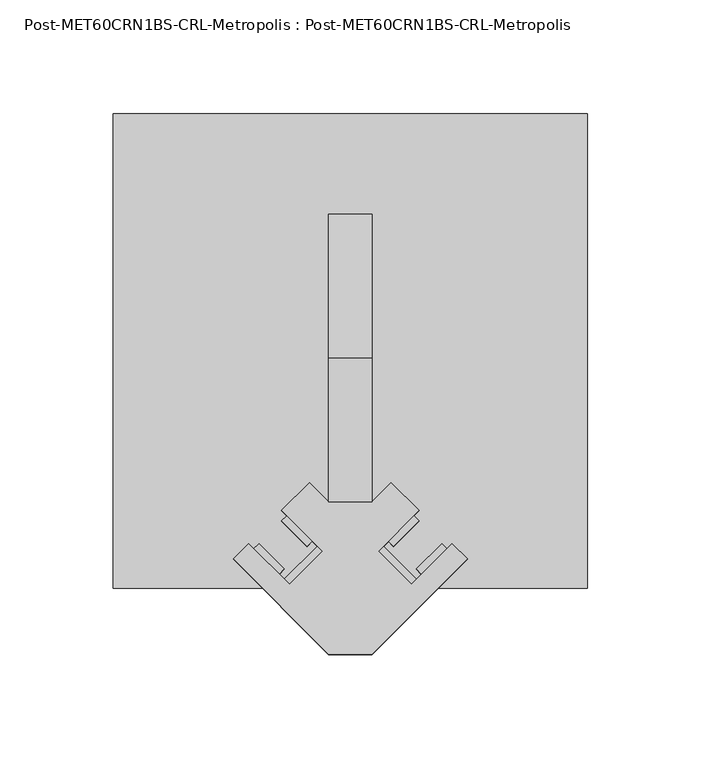
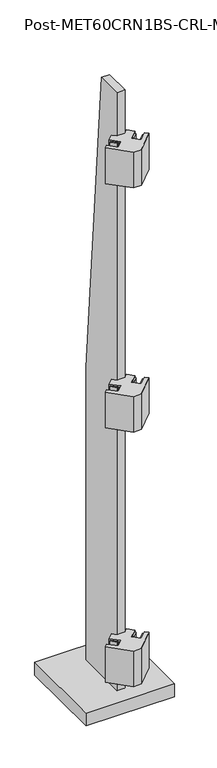
"""IFC4 building model written with IfcOpenShell, lengths in millimetres: proxy geometry, Post-MET60CRN1BS-CRL-Metropolis : Post-MET60CRN1BS-CRL-Metropolis."""

import ifcopenshell
import ifcopenshell.guid

model = None  # the IFC model being written
_history = None  # IfcOwnerHistory: only IFC2X3 demands one
_inside = {}  # id of a spatial element -> (the spatial element, [elements in it])
_under = {}  # id of a project, library or spatial element -> (it, [spatial elements below it])
_declared = {}  # id of a project -> (the project, [libraries it declares])
_typed = {}  # id of a type object -> (the type object, [elements of that type])
_made_of = {}  # id of a material, layer set ... -> (it, [elements and type objects made of it])


def new_model(schema):
    """Start an empty IFC model of exactly this schema.

    Asked for "IFC4X3", IfcOpenShell would pick the latest addendum, in which some entities
    have other attributes; the version numbers below select the first issue.
    IFC2X3 requires an IfcOwnerHistory on every rooted entity: one is made here for all.
    """
    global model, _history
    if schema == "IFC4X3":
        model = ifcopenshell.file(schema_version=(4, 3, 0, 0))
    else:
        model = ifcopenshell.file(schema=schema)
    _inside.clear()
    _under.clear()
    _declared.clear()
    _typed.clear()
    _made_of.clear()
    _history = None
    if model.schema == "IFC2X3":
        org = make("IfcOrganization", Name="unknown")
        user = make(
            "IfcPersonAndOrganization",
            ThePerson=make("IfcPerson", FamilyName="unknown"),
            TheOrganization=org,
        )
        app = make(
            "IfcApplication",
            ApplicationDeveloper=org,
            Version="unknown",
            ApplicationFullName="unknown",
            ApplicationIdentifier="unknown",
        )
        _history = make(
            "IfcOwnerHistory",
            OwningUser=user,
            OwningApplication=app,
            ChangeAction="ADDED",
            CreationDate=0,
        )
    return model


def make(cls, **values):
    """One entity of the class cls with the attributes given. An attribute that is None is left unset."""
    return model.create_entity(
        cls, **{name: value for name, value in values.items() if value is not None}
    )


def rooted(cls, **values):
    """An entity with a GlobalId (a new one), such as an element, a storey or a relation."""
    return make(cls, GlobalId=ifcopenshell.guid.new(), OwnerHistory=_history, **values)


def si_unit(unit_type, name, prefix=None):
    """IfcSIUnit, for example si_unit("LENGTHUNIT", "METRE", prefix="MILLI")."""
    return make("IfcSIUnit", UnitType=unit_type, Prefix=prefix, Name=name)


def assignment(units):
    """IfcUnitAssignment: the units of a project."""
    return None if units is None else make("IfcUnitAssignment", Units=units)


def point(xyz):
    """IfcCartesianPoint."""
    return None if xyz is None else make("IfcCartesianPoint", Coordinates=xyz)


def direction(xyz):
    """IfcDirection."""
    return None if xyz is None else make("IfcDirection", DirectionRatios=xyz)


def frame(location, z_axis=None, x_axis=None):
    """IfcAxis2Placement3D, a coordinate frame: its origin and axes. An axis left out is left unset."""
    return make(
        "IfcAxis2Placement3D",
        Location=point(location),
        Axis=direction(z_axis),
        RefDirection=direction(x_axis),
    )


def origin():
    """The frame at (0, 0, 0) with its axes left unset."""
    return frame((0.0, 0.0, 0.0))


def origin_with_axes():
    """The frame at (0, 0, 0) with the z axis (0, 0, 1) and the x axis (1, 0, 0) written out."""
    return frame((0.0, 0.0, 0.0), z_axis=(0.0, 0.0, 1.0), x_axis=(1.0, 0.0, 0.0))


def place(relative_to, where):
    """IfcLocalPlacement: puts the frame where relative to a parent placement (None: the world)."""
    return make(
        "IfcLocalPlacement", PlacementRelTo=relative_to, RelativePlacement=where
    )


def context(
    kind, dimensions, precision=None, world=None, true_north=None, identifier=None
):
    """IfcGeometricRepresentationContext, for example the 3D "Model" context."""
    return make(
        "IfcGeometricRepresentationContext",
        ContextIdentifier=identifier,
        ContextType=kind,
        CoordinateSpaceDimension=dimensions,
        Precision=precision,
        WorldCoordinateSystem=world,
        TrueNorth=true_north,
    )


def project(units=None, contexts=None):
    """IfcProject with its units and contexts."""
    return rooted(
        "IfcProject",
        Name="project",
        RepresentationContexts=contexts,
        UnitsInContext=assignment(units),
    )


def spatial(cls, under=None, at=None, **own):
    """A site, building, storey or space (cls), placed at a placement, below another one or the project."""
    s = rooted(cls, ObjectPlacement=at, **own)
    if under is not None:
        _under.setdefault(under.id(), (under, []))[1].append(s)
    return s


def polyline(points):
    """IfcPolyline through the points."""
    return make("IfcPolyline", Points=[point(p) for p in points])


def outline(outer, holes=None, kind="AREA"):
    """IfcArbitraryClosedProfileDef: a profile drawn as a closed curve; with holes, ...WithVoids."""
    if holes is None:
        return make("IfcArbitraryClosedProfileDef", ProfileType=kind, OuterCurve=outer)
    return make(
        "IfcArbitraryProfileDefWithVoids",
        ProfileType=kind,
        OuterCurve=outer,
        InnerCurves=holes,
    )


def extrude(swept, where, along, depth):
    """IfcExtrudedAreaSolid: the profile swept, set in the frame where, extruded along a direction by depth."""
    return make(
        "IfcExtrudedAreaSolid",
        SweptArea=swept,
        Position=where,
        ExtrudedDirection=direction(along),
        Depth=depth,
    )


def shape(context_of_items, identifier, shape_type, items):
    """IfcShapeRepresentation: the items that make up one representation, for example the "Body"."""
    return make(
        "IfcShapeRepresentation",
        ContextOfItems=context_of_items,
        RepresentationIdentifier=identifier,
        RepresentationType=shape_type,
        Items=items,
    )


def source(mapping_origin, context_of_items, identifier, shape_type, items):
    """IfcRepresentationMap: a shape defined once, which mapped items show again and again."""
    return make(
        "IfcRepresentationMap",
        MappingOrigin=mapping_origin,
        MappedRepresentation=shape(context_of_items, identifier, shape_type, items),
    )


def transform(
    local_origin,
    x_axis=None,
    y_axis=None,
    z_axis=None,
    scale=None,
    scale2=None,
    scale3=None,
    uniform=True,
):
    """IfcCartesianTransformationOperator3D, or its non-uniform kind. x_axis, y_axis, z_axis: its Axis1, 2, 3."""
    if uniform:
        return make(
            "IfcCartesianTransformationOperator3D",
            Axis1=direction(x_axis),
            Axis2=direction(y_axis),
            LocalOrigin=point(local_origin),
            Scale=scale,
            Axis3=direction(z_axis),
        )
    return make(
        "IfcCartesianTransformationOperator3DnonUniform",
        Axis1=direction(x_axis),
        Axis2=direction(y_axis),
        LocalOrigin=point(local_origin),
        Scale=scale,
        Axis3=direction(z_axis),
        Scale2=scale2,
        Scale3=scale3,
    )


def mapped(mapping_source, mapping_target):
    """IfcMappedItem: shows the shape of a source again, moved by a transform."""
    return make(
        "IfcMappedItem", MappingSource=mapping_source, MappingTarget=mapping_target
    )


def made_of(thing, what):
    """Note that an element or type object is made of a material, layer set ...; save() writes the relation."""
    if what is not None:
        _made_of.setdefault(what.id(), (what, []))[1].append(thing)
    return thing


def element(
    cls,
    number,
    at=None,
    inside=None,
    cuts=None,
    type_object=None,
    material=None,
    context=None,
    identifier="Body",
    shape_type=None,
    held_by="IfcProductDefinitionShape",
    body=None,
    shapes=None,
    **own,
):
    """One element of the class cls, such as IfcWall. Its Tag is "e" and its number.

    at: its placement. inside: the storey or other place that contains it. cuts: it is an
    opening in that element (IfcRelVoidsElement). A single representation is given by context,
    identifier, shape_type and body (its items); several are given by shapes. held_by: the class
    of the entity that holds the representations. save() writes the other relations.
    """
    e = rooted(cls, Tag="e%d" % number, ObjectPlacement=at, **own)
    if body is not None:
        shapes = [shape(context, identifier, shape_type, body)]
    if shapes is not None:
        e.Representation = make(held_by, Representations=shapes)
    if inside is not None:
        _inside.setdefault(inside.id(), (inside, []))[1].append(e)
    if cuts is not None:
        rooted(
            "IfcRelVoidsElement", RelatingBuildingElement=cuts, RelatedOpeningElement=e
        )
    if type_object is not None:
        _typed.setdefault(type_object.id(), (type_object, []))[1].append(e)
    return made_of(e, material)


def aggregate(whole, parts):
    """IfcRelAggregates: a whole, such as a stair, and the parts it consists of."""
    return rooted("IfcRelAggregates", RelatingObject=whole, RelatedObjects=parts)


def save(model, path):
    """Write the relations noted so far, then the file.

    IfcRelAggregates (storeys below a building ...), IfcRelContainedInSpatialStructure (elements
    in a storey), IfcRelDefinesByType, IfcRelAssociatesMaterial and IfcRelDeclares: one each for
    every whole, place, type object, material and project.
    """
    for whole, parts in _under.values():
        aggregate(whole, parts)
    for where, things in _inside.values():
        rooted(
            "IfcRelContainedInSpatialStructure",
            RelatedElements=things,
            RelatingStructure=where,
        )
    for kind, things in _typed.values():
        rooted("IfcRelDefinesByType", RelatedObjects=things, RelatingType=kind)
    for what, things in _made_of.values():
        rooted("IfcRelAssociatesMaterial", RelatedObjects=things, RelatingMaterial=what)
    for by, libraries in _declared.values():
        rooted("IfcRelDeclares", RelatingContext=by, RelatedDefinitions=libraries)
    model.write(path)


def post_met60crn1bs_crl_metropolis_post_met60crn1bs_crl_c7a602e6(model_context):
    return source(origin(), model_context, "Body", "SweptSolid", [
        extrude(outline(polyline([(12.3478522, -98.0728522), (14.5929162, -95.8277881), (29.1858324, -110.4207043), (26.9407684, -112.6657684), (12.3478522, -98.0728522)])), frame((0.0, 0.0, 1330.325), z_axis=(0.0, 0.0, 1.0), x_axis=(1.0, 0.0, 0.0)), (0.0, 0.0, 1.0), 82.55),
        extrude(outline(polyline([(19.0830443, -95.8277881), (16.8379802, -93.5827241), (28.0633004, -82.357404), (30.3083644, -84.602468), (19.0830443, -95.8277881)])), frame((0.0, 0.0, 1330.325), z_axis=(0.0, 0.0, 1.0), x_axis=(1.0, 0.0, 0.0)), (0.0, 0.0, 1.0), 82.55),
        extrude(outline(polyline([(31.4308964, -108.1756403), (29.1858324, -105.9305763), (40.4111525, -94.7052561), (42.6562166, -96.9503202), (31.4308964, -108.1756403)])), frame((0.0, 0.0, 1330.325), z_axis=(0.0, 0.0, 1.0), x_axis=(1.0, 0.0, 0.0)), (0.0, 0.0, 1.0), 82.55),
        extrude(outline(polyline([(-26.9407684, -112.6657684), (-29.1858324, -110.4207043), (-14.5929162, -95.8277881), (-12.3478522, -98.0728522), (-26.9407684, -112.6657684)])), frame((0.0, 0.0, 1330.325), z_axis=(0.0, 0.0, 1.0), x_axis=(1.0, 0.0, 0.0)), (0.0, 0.0, 1.0), 82.55),
        extrude(outline(polyline([(-42.6562166, -96.9503202), (-40.4111525, -94.7052561), (-29.1858324, -105.9305763), (-31.4308964, -108.1756403), (-42.6562166, -96.9503202)])), frame((0.0, 0.0, 1330.325), z_axis=(0.0, 0.0, 1.0), x_axis=(1.0, 0.0, 0.0)), (0.0, 0.0, 1.0), 82.55),
        extrude(outline(polyline([(-19.0830443, -95.8277881), (-30.3083644, -84.602468), (-28.0633004, -82.357404), (-16.8379802, -93.5827241), (-19.0830443, -95.8277881)])), frame((0.0, 0.0, 1330.325), z_axis=(0.0, 0.0, 1.0), x_axis=(1.0, 0.0, 0.0)), (0.0, 0.0, 1.0), 82.55),
        extrude(outline(polyline([(-51.6364727, -101.4404482), (-44.9012806, -94.7052561), (-26.9407684, -112.6657684), (-12.3478522, -98.0728522), (-30.3083644, -80.1123399), (-17.9605122, -67.7644878), (-9.525, -76.2), (9.525, -76.2), (17.9605122, -67.7644878), (30.3083644, -80.1123399), (12.3478522, -98.0728522), (26.9407684, -112.6657684), (44.9012806, -94.7052561), (51.6364727, -101.4404482), (9.525, -143.5519209), (-9.525, -143.5519209), (-51.6364727, -101.4404482)])), frame((0.0, 0.0, 1327.15), z_axis=(0.0, 0.0, 1.0), x_axis=(1.0, 0.0, 0.0)), (0.0, 0.0, 1.0), 88.9),
        extrude(outline(polyline([(12.3478522, -98.0728522), (14.5929162, -95.8277881), (29.1858324, -110.4207043), (26.9407684, -112.6657684), (12.3478522, -98.0728522)])), frame((0.0, 0.0, 720.725), z_axis=(0.0, 0.0, 1.0), x_axis=(1.0, 0.0, 0.0)), (0.0, 0.0, 1.0), 82.55),
        extrude(outline(polyline([(19.0830443, -95.8277881), (16.8379802, -93.5827241), (28.0633004, -82.357404), (30.3083644, -84.602468), (19.0830443, -95.8277881)])), frame((0.0, 0.0, 720.725), z_axis=(0.0, 0.0, 1.0), x_axis=(1.0, 0.0, 0.0)), (0.0, 0.0, 1.0), 82.55),
        extrude(outline(polyline([(31.4308964, -108.1756403), (29.1858324, -105.9305763), (40.4111525, -94.7052561), (42.6562166, -96.9503202), (31.4308964, -108.1756403)])), frame((0.0, 0.0, 720.725), z_axis=(0.0, 0.0, 1.0), x_axis=(1.0, 0.0, 0.0)), (0.0, 0.0, 1.0), 82.55),
        extrude(outline(polyline([(-26.9407684, -112.6657684), (-29.1858324, -110.4207043), (-14.5929162, -95.8277881), (-12.3478522, -98.0728522), (-26.9407684, -112.6657684)])), frame((0.0, 0.0, 720.725), z_axis=(0.0, 0.0, 1.0), x_axis=(1.0, 0.0, 0.0)), (0.0, 0.0, 1.0), 82.55),
        extrude(outline(polyline([(-42.6562166, -96.9503202), (-40.4111525, -94.7052561), (-29.1858324, -105.9305763), (-31.4308964, -108.1756403), (-42.6562166, -96.9503202)])), frame((0.0, 0.0, 720.725), z_axis=(0.0, 0.0, 1.0), x_axis=(1.0, 0.0, 0.0)), (0.0, 0.0, 1.0), 82.55),
        extrude(outline(polyline([(-19.0830443, -95.8277881), (-30.3083644, -84.602468), (-28.0633004, -82.357404), (-16.8379802, -93.5827241), (-19.0830443, -95.8277881)])), frame((0.0, 0.0, 720.725), z_axis=(0.0, 0.0, 1.0), x_axis=(1.0, 0.0, 0.0)), (0.0, 0.0, 1.0), 82.55),
        extrude(outline(polyline([(-51.6364727, -101.4404482), (-44.9012806, -94.7052561), (-26.9407684, -112.6657684), (-12.3478522, -98.0728522), (-30.3083644, -80.1123399), (-17.9605122, -67.7644878), (-9.525, -76.2), (9.525, -76.2), (17.9605122, -67.7644878), (30.3083644, -80.1123399), (12.3478522, -98.0728522), (26.9407684, -112.6657684), (44.9012806, -94.7052561), (51.6364727, -101.4404482), (9.525, -143.5519209), (-9.525, -143.5519209), (-51.6364727, -101.4404482)])), frame((0.0, 0.0, 717.55), z_axis=(0.0, 0.0, 1.0), x_axis=(1.0, 0.0, 0.0)), (0.0, 0.0, 1.0), 88.9),
        extrude(outline(polyline([(12.3478522, -98.0728522), (14.5929162, -95.8277881), (29.1858324, -110.4207043), (26.9407684, -112.6657684), (12.3478522, -98.0728522)])), frame((0.0, 0.0, 85.725), z_axis=(0.0, 0.0, 1.0), x_axis=(1.0, 0.0, 0.0)), (0.0, 0.0, 1.0), 82.55),
        extrude(outline(polyline([(19.0830443, -95.8277881), (16.8379802, -93.5827241), (28.0633004, -82.357404), (30.3083644, -84.602468), (19.0830443, -95.8277881)])), frame((0.0, 0.0, 85.725), z_axis=(0.0, 0.0, 1.0), x_axis=(1.0, 0.0, 0.0)), (0.0, 0.0, 1.0), 82.55),
        extrude(outline(polyline([(31.4308964, -108.1756403), (29.1858324, -105.9305763), (40.4111525, -94.7052561), (42.6562166, -96.9503202), (31.4308964, -108.1756403)])), frame((0.0, 0.0, 85.725), z_axis=(0.0, 0.0, 1.0), x_axis=(1.0, 0.0, 0.0)), (0.0, 0.0, 1.0), 82.55),
        extrude(outline(polyline([(-26.9407684, -112.6657684), (-29.1858324, -110.4207043), (-14.5929162, -95.8277881), (-12.3478522, -98.0728522), (-26.9407684, -112.6657684)])), frame((0.0, 0.0, 85.725), z_axis=(0.0, 0.0, 1.0), x_axis=(1.0, 0.0, 0.0)), (0.0, 0.0, 1.0), 82.55),
        extrude(outline(polyline([(-42.6562166, -96.9503202), (-40.4111525, -94.7052561), (-29.1858324, -105.9305763), (-31.4308964, -108.1756403), (-42.6562166, -96.9503202)])), frame((0.0, 0.0, 85.725), z_axis=(0.0, 0.0, 1.0), x_axis=(1.0, 0.0, 0.0)), (0.0, 0.0, 1.0), 82.55),
        extrude(outline(polyline([(-19.0830443, -95.8277881), (-30.3083644, -84.602468), (-28.0633004, -82.357404), (-16.8379802, -93.5827241), (-19.0830443, -95.8277881)])), frame((0.0, 0.0, 85.725), z_axis=(0.0, 0.0, 1.0), x_axis=(1.0, 0.0, 0.0)), (0.0, 0.0, 1.0), 82.55),
        extrude(outline(polyline([(-51.6364727, -101.4404482), (-44.9012806, -94.7052561), (-26.9407684, -112.6657684), (-12.3478522, -98.0728522), (-30.3083644, -80.1123399), (-17.9605122, -67.7644878), (-9.525, -76.2), (9.525, -76.2), (17.9605122, -67.7644878), (30.3083644, -80.1123399), (12.3478522, -98.0728522), (26.9407684, -112.6657684), (44.9012806, -94.7052561), (51.6364727, -101.4404482), (9.525, -143.5519209), (-9.525, -143.5519209), (-51.6364727, -101.4404482)])), frame((0.0, 0.0, 82.55), z_axis=(0.0, 0.0, 1.0), x_axis=(1.0, 0.0, 0.0)), (0.0, 0.0, 1.0), 88.9),
        extrude(outline(polyline([(50.8, 762.0), (50.8, 0.0), (-76.2, 0.0), (-76.2, 1524.0), (-12.7, 1524.0), (50.8, 762.0)])), frame((-9.525, 0.0, 0.0), z_axis=(1.0, 0.0, 0.0), x_axis=(0.0, 1.0, 0.0)), (0.0, 0.0, 1.0), 19.05),
        extrude(outline(polyline([(104.775, 95.25), (104.775, -114.3), (-104.775, -114.3), (-104.775, 95.25), (104.775, 95.25)])), origin_with_axes(), (0.0, 0.0, 1.0), 31.75),
    ])


if __name__ == "__main__":
    model = new_model("IFC4")
    model_context = context("Model", 3, world=origin())
    ifc_project = project(units=[si_unit("LENGTHUNIT", "METRE", prefix="MILLI")], contexts=[model_context])
    site = spatial("IfcSite", under=ifc_project)
    building = spatial("IfcBuilding", under=site)
    placement = place(None, origin())
    post_met60crn1bs_crl_metropolis_post_met60crn1bs_crl_shape = post_met60crn1bs_crl_metropolis_post_met60crn1bs_crl_c7a602e6(model_context)
    element("IfcBuildingElementProxy", 1, Name="Post-MET60CRN1BS-CRL-Metropolis : Post-MET60CRN1BS-CRL-Metropolis", ObjectType="Post-MET60CRN1BS-CRL-Metropolis : Post-MET60CRN1BS-CRL-Metropolis", at=placement, inside=building, context=model_context, shape_type="MappedRepresentation", body=[
        mapped(post_met60crn1bs_crl_metropolis_post_met60crn1bs_crl_shape, transform((0.0, 0.0, 0.0), x_axis=(1.0, 0.0, 0.0), y_axis=(0.0, 1.0, 0.0), z_axis=(0.0, 0.0, 1.0))),
    ])
    save(model, "model.ifc")
